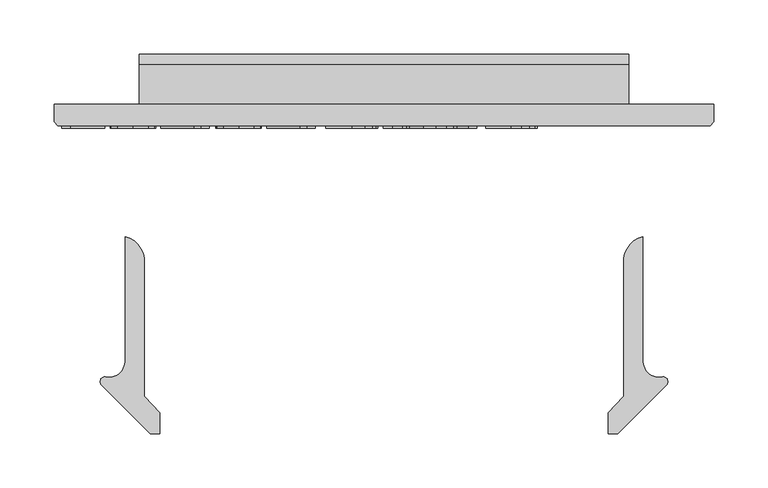
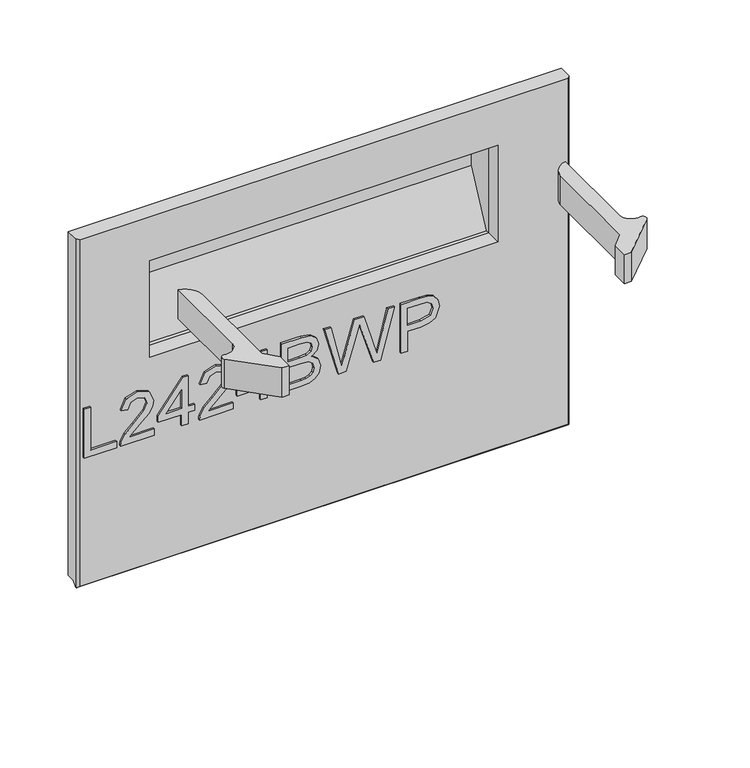
"""IFC4 building model written with IfcOpenShell, lengths in millimetres: furniture geometry."""

from ifc_helpers import new_model, si_unit, point, frame, frame_2d, origin, place, context, project, spatial, polyline, circle_curve, trimmed, segment, composite_curve, outline, extrude, faceted_brep, source, transform, mapped, element, save
from ifc_brep_helpers import plane_surface, cylinder_surface, advanced_brep


def furniture_f2d2e300(model_context):
    return source(origin(), model_context, "Body", "SolidModel", [
        extrude(outline(polyline([(676.354375, -279.0852904), (676.354375, -239.2166923), (684.3280946, -239.2166923), (684.3280946, -271.1115708), (740.1441319, -271.1115708), (740.1441319, -279.0852904), (676.354375, -279.0852904)])), frame((0.0, -21.9273437, 0.0), z_axis=(0.0, 1.0, 0.0), x_axis=(0.0, 0.0, 1.0)), (0.0, 0.0, 1.0), 2.38125),
        extrude(outline(polyline([(684.3280946, -192.3710896), (684.3280946, -223.6897422), (688.3850359, -220.0922242), (696.055069, -210.9193319), (706.9799993, -199.4960441), (714.7979822, -194.7850086), (722.3589995, -193.3678045), (735.0359678, -198.6239185), (740.1441319, -212.8971881), (735.549899, -227.1237367), (722.2032628, -233.2364026), (721.2065479, -225.262683), (729.2581358, -221.9065569), (732.1704123, -213.0684985), (729.1880543, -204.5886346), (721.8762157, -201.3415241), (712.8434865, -204.7833055), (699.559145, -218.5504307), (690.3161712, -228.5331539), (681.8518809, -233.3765657), (676.354375, -234.2331176), (676.354375, -192.3710896), (684.3280946, -192.3710896)])), frame((0.0, -21.9273437, 0.0), z_axis=(0.0, 1.0, 0.0), x_axis=(0.0, 0.0, 1.0)), (0.0, 0.0, 1.0), 2.38125),
        extrude(outline(polyline([(676.354375, -158.4827812), (676.354375, -150.5090616), (691.3050993, -150.5090616), (691.3050993, -142.535342), (699.2788189, -142.535342), (699.2788189, -150.5090616), (739.147417, -150.5090616), (739.147417, -156.4893513), (699.2788189, -187.3875148), (691.3050993, -187.3875148), (691.3050993, -158.4827812), (676.354375, -158.4827812)]), holes=[polyline([(699.2788189, -158.4827812), (699.2788189, -177.576102), (723.9163666, -158.4827812), (699.2788189, -158.4827812)])]), frame((0.0, -21.9273437, 0.0), z_axis=(0.0, 1.0, 0.0), x_axis=(0.0, 0.0, 1.0)), (0.0, 0.0, 1.0), 2.38125),
        extrude(outline(polyline([(684.3280946, -94.6930242), (684.3280946, -126.0116769), (688.3850359, -122.4141589), (696.055069, -113.2412666), (706.9799993, -101.8179788), (714.7979822, -97.1069433), (722.3589995, -95.6897392), (735.0359678, -100.9458532), (740.1441319, -115.2191228), (735.549899, -129.4456714), (722.2032628, -135.5583373), (721.2065479, -127.5846177), (729.2581358, -124.2284915), (732.1704123, -115.3904332), (729.1880543, -106.9105692), (721.8762157, -103.6634588), (712.8434865, -107.1052401), (699.559145, -120.8723654), (690.3161712, -130.8550886), (681.8518809, -135.6985003), (676.354375, -136.5550522), (676.354375, -94.6930242), (684.3280946, -94.6930242)])), frame((0.0, -21.9273437, 0.0), z_axis=(0.0, 1.0, 0.0), x_axis=(0.0, 0.0, 1.0)), (0.0, 0.0, 1.0), 2.38125),
        extrude(outline(polyline([(676.354375, -60.8047159), (676.354375, -52.8309963), (691.3050993, -52.8309963), (691.3050993, -44.8572766), (699.2788189, -44.8572766), (699.2788189, -52.8309963), (739.147417, -52.8309963), (739.147417, -58.811286), (699.2788189, -89.7094495), (691.3050993, -89.7094495), (691.3050993, -60.8047159), (676.354375, -60.8047159)]), holes=[polyline([(699.2788189, -60.8047159), (699.2788189, -79.8980367), (723.9163666, -60.8047159), (699.2788189, -60.8047159)])]), frame((0.0, -21.9273437, 0.0), z_axis=(0.0, 1.0, 0.0), x_axis=(0.0, 0.0, 1.0)), (0.0, 0.0, 1.0), 2.38125),
        extrude(outline(polyline([(676.354375, -34.8901271), (676.354375, -10.7353632), (677.4523188, -0.5112481), (680.6916424, 6.4268224), (686.7965215, 11.0755632), (695.3698274, 12.9521906), (705.290256, 10.2034376), (711.2393983, 2.3465206), (716.8848541, 8.8173809), (724.3368557, 10.9587607), (732.4974594, 8.4124655), (738.2675046, 1.3731661), (740.1441319, -10.5484791), (740.1441319, -34.8901271), (676.354375, -34.8901271)]), holes=[polyline([(714.2295432, -26.9164075), (732.1704123, -26.9164075), (732.1704123, -13.4607556), (731.3372209, -3.21328), (728.2614209, 1.3809529), (723.0598147, 2.9850411), (717.8659954, 1.2641504), (714.9147847, -3.8518006), (714.2295432, -12.355025), (714.2295432, -26.9164075)]), polyline([(684.3280946, -26.9164075), (706.2558236, -26.9164075), (706.2558236, -11.3427364), (705.1890271, -1.4923894), (701.4902802, 3.4522512), (695.2919591, 4.978471), (689.9190426, 3.6780694), (686.3760324, 0.3608775), (684.639568, -4.6460578), (684.3280946, -10.5640528), (684.3280946, -26.9164075)])]), frame((0.0, -21.9273437, 0.0), z_axis=(0.0, 1.0, 0.0), x_axis=(0.0, 0.0, 1.0)), (0.0, 0.0, 1.0), 2.38125),
        extrude(outline(polyline([(676.354375, 35.331556), (676.354375, 44.9560848), (724.1655454, 58.8945204), (732.4351647, 61.2928658), (725.5671758, 63.4264587), (676.354375, 78.7198038), (676.354375, 87.2386019), (740.1441319, 104.6499662), (740.1441319, 96.4270678), (697.8460412, 86.2418869), (685.2780886, 83.2205947), (708.6697426, 76.3837531), (740.1441319, 67.1952871), (740.1441319, 55.3437234), (696.7247368, 42.6979025), (685.2780886, 39.3651368), (698.2198093, 36.2504026), (740.1441319, 26.1586637), (740.1441319, 17.9357654), (676.354375, 35.331556)])), frame((0.0, -21.9273437, 0.0), z_axis=(0.0, 1.0, 0.0), x_axis=(0.0, 0.0, 1.0)), (0.0, 0.0, 1.0), 2.38125),
        extrude(outline(polyline([(676.354375, 112.6236858), (676.354375, 120.5974054), (702.2689638, 120.5974054), (702.2689638, 136.8095971), (703.678381, 148.1374961), (707.9066327, 155.3344789), (721.6893317, 160.4660035), (730.387227, 158.5660157), (736.5544007, 153.5435067), (739.5367588, 145.7956053), (740.1441319, 136.2645186), (740.1441319, 112.6236858), (676.354375, 112.6236858)]), holes=[polyline([(710.2426834, 120.5974054), (732.1704123, 120.5974054), (732.1704123, 137.0899232), (731.6253338, 145.0636428), (728.0122421, 150.4443462), (721.4090056, 152.4922839), (713.1705335, 149.0193553), (710.2426834, 137.2768072), (710.2426834, 120.5974054)])]), frame((0.0, -21.9273437, 0.0), z_axis=(0.0, 1.0, 0.0), x_axis=(0.0, 0.0, 1.0)), (0.0, 0.0, 1.0), 2.38125),
        extrude(outline(composite_curve([segment(polyline([(-220.5642823, -238.3618073), (-220.5642823, -122.0390625)]), True, "CONTINUOUS"), segment(trimmed(circle_curve(frame_2d((-226.2037181, -144.8953097)), 23.5416922), [point((-220.5642823, -122.0390625))], [point((-202.8305174, -142.0837692))], False, "CARTESIAN"), True, "CONTINUOUS"), segment(polyline([(-202.8305174, -142.0837692), (-202.8305174, -269.3995294), (-188.5302638, -285.0128136), (-188.5302638, -304.0572038), (-197.3624851, -304.0572038), (-242.2212719, -259.1984169)]), True, "CONTINUOUS"), segment(trimmed(circle_curve(frame_2d((-239.0740027, -256.0511477)), 4.4509108), [point((-242.2212719, -259.1984169))], [point((-238.9835432, -251.6011563))], False, "CARTESIAN"), True, "CONTINUOUS"), segment(trimmed(circle_curve(frame_2d((-235.2976543, -237.2965695)), 14.7718306), [point((-238.9835432, -251.6011563))], [point((-220.5642823, -238.3618073))], True, "CARTESIAN"), True, "CONTINUOUS")], self_intersect=False)), frame((0.0, 0.0, 898.7432534), z_axis=(0.0, 0.0, 1.0), x_axis=(1.0, 0.0, 0.0)), (0.0, 0.0, 1.0), 38.1000023),
        extrude(outline(composite_curve([segment(trimmed(circle_curve(frame_2d((272.7730641, -237.2965695)), 14.7718306), [point((258.0396922, -238.3618073))], [point((276.4589531, -251.6011563))], True, "CARTESIAN"), True, "CONTINUOUS"), segment(trimmed(circle_curve(frame_2d((276.5494126, -256.0511477)), 4.4509108), [point((276.4589531, -251.6011563))], [point((279.6966818, -259.1984169))], False, "CARTESIAN"), True, "CONTINUOUS"), segment(polyline([(279.6966818, -259.1984169), (234.8378949, -304.0572038), (226.0056737, -304.0572038), (226.0056737, -285.0128136), (240.3059273, -269.3995294), (240.3059273, -142.0837692)]), True, "CONTINUOUS"), segment(trimmed(circle_curve(frame_2d((263.679128, -144.8953097)), 23.5416922), [point((240.3059273, -142.0837692))], [point((258.0396922, -122.0390625))], False, "CARTESIAN"), True, "CONTINUOUS"), segment(polyline([(258.0396922, -122.0390625), (258.0396922, -238.3618073)]), True, "CONTINUOUS")], self_intersect=False)), frame((0.0, 0.0, 898.7432534), z_axis=(0.0, 0.0, 1.0), x_axis=(1.0, 0.0, 0.0)), (0.0, 0.0, 1.0), 38.1000023),
        faceted_brep([(-286.0622951, 0.0, 512.445), (323.5377049, 0.0, 512.445), (323.5377049, -10.0210938, 512.445), (-286.0622951, -10.0210937, 512.445), (323.5377049, 0.0, 961.770775), (-286.0622951, 0.0, 961.770775), (-286.0622951, -15.9900937, 961.770775), (-282.8872951, -19.5460937, 961.770775), (320.3627049, -19.5460937, 961.770775), (323.5377049, -15.9900938, 961.770775), (-286.0622951, -15.9900937, 506.476), (-282.8872951, -19.5460937, 509.27), (320.3627049, -19.5460937, 509.27), (-196.5178471, -19.5460937, 777.9542826), (-196.5178471, -19.5460937, 904.4146978), (233.9932569, -19.5460937, 904.4146978), (233.9932569, -19.5460937, 777.9542826), (323.5377049, -15.9900937, 506.476), (-196.5178471, 0.0, 904.4146978), (-196.5178471, 0.0, 777.9542826), (233.9932569, 0.0, 777.9542826), (233.9932569, 0.0, 904.4146978), (323.1975263, -16.3710938, 506.095), (-285.7221165, -16.3710937, 506.095)], [[[0, 1, 2, 3]], [[4, 5, 6, 7, 8, 9]], [[5, 0, 3, 10, 6]], [[8, 7, 11, 12], [13, 14, 15, 16]], [[1, 4, 9, 17, 2]], [[1, 0, 5, 4], [18, 19, 20, 21]], [[13, 19, 18, 14]], [[15, 21, 20, 16]], [[14, 18, 21, 15]], [[19, 13, 16, 20]], [[3, 2, 17, 22, 23, 10]], [[12, 11, 23, 22]], [[7, 6, 10, 23, 11]], [[9, 8, 12, 22, 17]]]),
        advanced_brep(
        [(-207.3226381, 36.9472097, 913.9887197), (-207.3226381, 46.5212315, 904.4146978), (-207.3226381, 46.5212315, 843.7127143), (-207.3226381, 39.9742542, 819.8995149), (-207.3226381, 16.1316421, 777.9542826), (-207.3226381, 0.0, 767.7943468), (-207.3226381, 0.0, 913.9887197), (244.798048, 36.9472097, 913.9887197), (244.798048, 0.0, 913.9887197), (244.798048, 0.0, 767.7943468), (244.798048, 16.1316421, 777.9542826), (244.798048, 39.9742542, 819.8995149), (244.798048, 46.5212315, 843.7127143), (244.798048, 46.5212315, 904.4146978), (-196.5178471, 0.0, 777.9542826), (-196.5178471, 0.0, 904.4146978), (233.9932569, 0.0, 904.4146978), (233.9932569, 0.0, 777.9542826), (-196.5178471, 4.9248726, 777.9542826), (-196.5178471, 36.9472097, 843.7127143), (-196.5178471, 36.9472097, 904.4146978), (233.9932569, 36.9472097, 904.4146978), (233.9932569, 36.9472097, 843.7127143), (233.9932569, 4.9248726, 777.9542826)],
        [
            (0, 1, circle_curve(frame((-207.3226381, 36.9472097, 904.4146978), z_axis=(-1.0, 0.0, 0.0), x_axis=(0.0, -1.0, 0.0)), 9.5740219)),
            (1, 2),
            (2, 3, circle_curve(frame((-207.3226381, -3.6609663, 844.7027543), z_axis=(-1.0, 0.0, 0.0), x_axis=(0.0, -1.0, 0.0)), 50.1919631)),
            (3, 4),
            (4, 5, circle_curve(frame((-207.3226381, -1.4154997, 787.9284722), z_axis=(-1.0, 0.0, 0.0), x_axis=(0.0, -1.0, 0.0)), 20.1838213)),
            (5, 6),
            (6, 0),
            (7, 8),
            (8, 9),
            (9, 10, circle_curve(frame((244.798048, -1.4154997, 787.9284722), z_axis=(1.0, 0.0, 0.0), x_axis=(0.0, -1.0, 0.0)), 20.1838213)),
            (10, 11),
            (11, 12, circle_curve(frame((244.798048, -3.6609663, 844.7027543), z_axis=(1.0, 0.0, 0.0), x_axis=(0.0, -1.0, 0.0)), 50.1919631)),
            (12, 13),
            (13, 7, circle_curve(frame((244.798048, 36.9472097, 904.4146978), z_axis=(1.0, 0.0, 0.0), x_axis=(0.0, -1.0, 0.0)), 9.5740219)),
            (0, 7),
            (13, 1),
            (12, 2),
            (11, 3),
            (10, 4),
            (9, 5),
            (8, 6),
            (14, 15),
            (15, 16),
            (16, 17),
            (17, 14),
            (18, 19),
            (19, 20),
            (20, 15),
            (14, 18),
            (21, 22),
            (22, 23),
            (23, 17),
            (16, 21),
            (20, 21),
            (19, 22),
            (18, 23),
        ],
        [
            plane_surface(frame((-207.3226381, 27.3731878, 904.4146978), z_axis=(-1.0, 0.0, 0.0), x_axis=(0.0, 0.0, 1.0))),
            plane_surface(frame((244.798048, 27.3731878, 904.4146978), z_axis=(1.0, 0.0, 0.0), x_axis=(0.0, 0.0, -1.0))),
            cylinder_surface(frame((244.798048, 36.9472097, 904.4146978), z_axis=(-1.0, 0.0, 0.0), x_axis=(0.0, -1.0, 0.0)), 9.5740219),
            plane_surface(frame((-207.3226381, 46.5212315, 904.4146978), z_axis=(0.0, 1.0, 0.0), x_axis=(1.0, 0.0, 0.0))),
            cylinder_surface(frame((244.798048, -3.6609663, 844.7027543), z_axis=(-1.0, 0.0, 0.0), x_axis=(0.0, -1.0, 0.0)), 50.1919631),
            plane_surface(frame((-207.3226381, 39.9742542, 819.8995149), z_axis=(0.0, 0.8693666847317875, -0.49416755000552276), x_axis=(1.0, 0.0, 0.0))),
            cylinder_surface(frame((244.798048, -1.4154997, 787.9284722), z_axis=(-1.0, 0.0, 0.0), x_axis=(0.0, -1.0, 0.0)), 20.1838213),
            plane_surface(frame((-207.3226381, 0.0, 767.7943468), z_axis=(0.0, -1.0, 0.0), x_axis=(1.0, 0.0, 0.0))),
            plane_surface(frame((-207.3226381, 0.0, 913.9887197), z_axis=(0.0, 0.0, 1.0), x_axis=(1.0, 0.0, 0.0))),
            plane_surface(frame((-196.5178471, 36.9472097, 904.4146978), z_axis=(1.0, 0.0, 0.0), x_axis=(0.0, 1.0, 0.0))),
            plane_surface(frame((233.9932569, 36.9472097, 904.4146978), z_axis=(-1.0, 0.0, 0.0), x_axis=(0.0, -1.0, 0.0))),
            plane_surface(frame((-196.5178471, -19.5460937, 904.4146978), z_axis=(0.0, 0.0, -1.0), x_axis=(1.0, 0.0, 0.0))),
            plane_surface(frame((-196.5178471, 36.9472097, 904.4146978), z_axis=(0.0, -1.0, 0.0), x_axis=(1.0, 0.0, 0.0))),
            plane_surface(frame((-196.5178471, 36.9472097, 843.7127143), z_axis=(0.0, -0.8990642615843092, 0.43781668942819074), x_axis=(1.0, 0.0, 0.0))),
            plane_surface(frame((-196.5178471, 4.9248726, 777.9542826), z_axis=(0.0, 0.0, 1.0), x_axis=(1.0, 0.0, 0.0))),
        ],
        [
            (0, [[1, 2, 3, 4, 5, 6, 7]]),
            (1, [[8, 9, 10, 11, 12, 13, 14]]),
            (2, [[-1, 15, -14, 16]]),
            (3, [[-2, -16, -13, 17]]),
            (4, [[-3, -17, -12, 18]]),
            (5, [[-4, -18, -11, 19]]),
            (6, [[-5, -19, -10, 20]]),
            (7, [[-6, -20, -9, 21], [22, 23, 24, 25]]),
            (8, [[-7, -21, -8, -15]]),
            (9, [[26, 27, 28, -22, 29]]),
            (10, [[30, 31, 32, -24, 33]]),
            (11, [[34, -33, -23, -28]]),
            (12, [[-27, 35, -30, -34]]),
            (13, [[-26, 36, -31, -35]]),
            (14, [[-36, -29, -25, -32]]),
        ],
    ),
    ])


if __name__ == "__main__":
    model = new_model("IFC4")
    model_context = context("Model", 3, world=origin())
    ifc_project = project(units=[si_unit("LENGTHUNIT", "METRE", prefix="MILLI")], contexts=[model_context])
    site = spatial("IfcSite", under=ifc_project)
    building = spatial("IfcBuilding", under=site)
    placement = place(None, origin())
    furniture_shape = furniture_f2d2e300(model_context)
    element("IfcFurniture", 1, at=placement, inside=building, context=model_context, shape_type="MappedRepresentation", body=[
        mapped(furniture_shape, transform((0.0, 0.0, 0.0), x_axis=(1.0, 0.0, 0.0), y_axis=(0.0, 1.0, 0.0), z_axis=(0.0, 0.0, 1.0))),
    ])
    save(model, "model.ifc")
